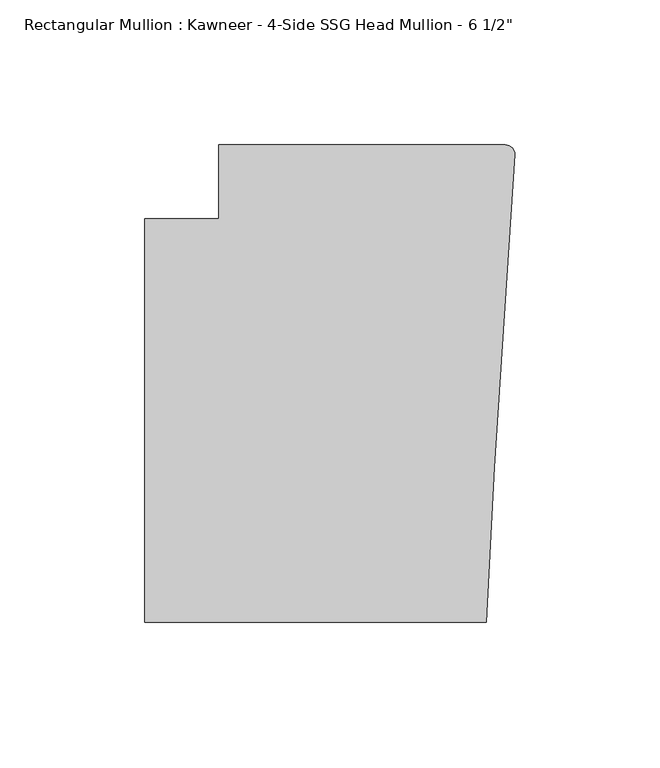
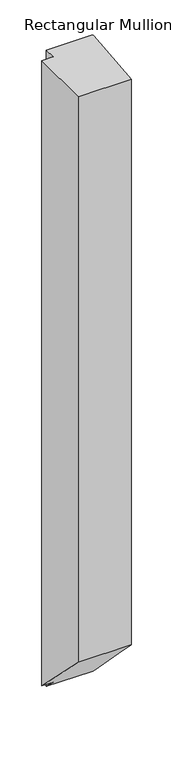
"""IFC4 building model written with IfcOpenShell, lengths in millimetres: member geometry."""

from ifc_helpers import new_model, si_unit, frame, origin, place, context, project, spatial, circle_curve, ellipse_curve, source, transform, mapped, element, save
from ifc_brep_helpers import plane_surface, cylinder_surface, advanced_brep


def member_0b03c33f(model_context):
    return source(origin(), model_context, "Body", "AdvancedBrep", [
        advanced_brep(
        [(-102.08978, 12.7, 0.0), (-102.08978, -12.7, 0.0), (-127.4896668, -12.7, 0.0), (-127.4896668, -151.892, 0.0), (-9.7860662, -151.892, 0.0), (-6.9873394, -98.4891117, 0.0), (-0.006635, 9.3198462, 0.0), (-3.175, 12.7, 0.0), (-102.08978, 12.7, -1481.8796193), (-102.08978, -12.7, -1456.4796193), (-127.4896668, -12.7, -1456.4796193), (-127.4896668, -151.892, -1317.2876193), (-9.7860662, -151.892, -1317.2876193), (-6.9873394, -98.4891117, -1370.6905076), (-0.006635, 9.3198462, -1478.4994655), (-3.175, 12.7, -1481.8796193)],
        [
            (0, 1),
            (1, 2),
            (2, 3),
            (3, 4),
            (4, 5),
            (5, 6),
            (6, 7, circle_curve(frame((-3.175, 9.525, 0.0), z_axis=(0.0, 0.0, 1.0), x_axis=(0.0, 1.0, 0.0)), 3.175)),
            (7, 0),
            (0, 8),
            (8, 9),
            (9, 1),
            (9, 10),
            (10, 2),
            (10, 11),
            (11, 3),
            (11, 12),
            (12, 4),
            (12, 13),
            (13, 5),
            (13, 14),
            (14, 6),
            (14, 15, ellipse_curve(frame((-3.175, 9.525, -1478.7046193), z_axis=(0.0, 0.707106781186548, 0.707106781186547), x_axis=(0.0, -0.707106781186547, 0.707106781186548)), 4.4901281, 3.175)),
            (15, 7),
            (15, 8),
        ],
        [
            plane_surface(frame((0.0, -198.3048028, 0.0), z_axis=(0.0, 0.0, 1.0), x_axis=(-1.0, 0.0, 0.0))),
            plane_surface(frame((-102.08978, 12.7, 0.0), z_axis=(-1.0, 0.0, 0.0), x_axis=(0.0, 0.0, -1.0))),
            plane_surface(frame((-102.08978, -12.7, 0.0), z_axis=(0.0, 1.0, 0.0), x_axis=(0.0, 0.0, -1.0))),
            plane_surface(frame((-127.4896668, -12.7, 0.0), z_axis=(-1.0, 0.0, 0.0), x_axis=(0.0, 0.0, -1.0))),
            plane_surface(frame((-127.4896668, -151.892, 0.0), z_axis=(0.0, -1.0, 0.0), x_axis=(0.0, 0.0, -1.0))),
            plane_surface(frame((-9.7860662, -151.892, 0.0), z_axis=(0.9986295347545738, -0.05233595624294541, 0.0), x_axis=(0.0, 0.0, -1.0))),
            plane_surface(frame((-6.9873394, -98.4891117, 0.0), z_axis=(0.9979102429769694, -0.06461537712995265, 0.0), x_axis=(0.0, 0.0, -1.0))),
            cylinder_surface(frame((-3.175, 9.525, 0.0), z_axis=(0.0, 0.0, 1.0), x_axis=(0.0, 1.0, 0.0)), 3.175),
            plane_surface(frame((-3.175, 12.7, 0.0), z_axis=(0.0, 1.0, 0.0), x_axis=(0.0, 0.0, -1.0))),
            plane_surface(frame((304.8, 0.0, -1469.1796193), z_axis=(0.0, -0.707106781186548, -0.707106781186547), x_axis=(0.0, -0.707106781186547, 0.707106781186548))),
        ],
        [
            (0, [[1, 2, 3, 4, 5, 6, 7, 8]]),
            (1, [[-1, 9, 10, 11]]),
            (2, [[-2, -11, 12, 13]]),
            (3, [[-3, -13, 14, 15]]),
            (4, [[-4, -15, 16, 17]]),
            (5, [[-5, -17, 18, 19]]),
            (6, [[-6, -19, 20, 21]]),
            (7, [[-7, -21, 22, 23]]),
            (8, [[-8, -23, 24, -9]]),
            (9, [[-24, -22, -20, -18, -16, -14, -12, -10]]),
        ],
    ),
    ])


if __name__ == "__main__":
    model = new_model("IFC4")
    model_context = context("Model", 3, world=origin())
    ifc_project = project(units=[si_unit("LENGTHUNIT", "METRE", prefix="MILLI")], contexts=[model_context])
    site = spatial("IfcSite", under=ifc_project)
    building = spatial("IfcBuilding", under=site)
    placement = place(None, origin())
    member_shape = member_0b03c33f(model_context)
    element("IfcMember", 1, ObjectType="Rectangular Mullion : Kawneer - 4-Side SSG Head Mullion - 6 1/2\"", at=placement, inside=building, context=model_context, shape_type="MappedRepresentation", body=[
        mapped(member_shape, transform((0.0, 0.0, 0.0), x_axis=(1.0, 0.0, 0.0), y_axis=(0.0, 1.0, 0.0), z_axis=(0.0, 0.0, 1.0))),
    ])
    save(model, "model.ifc")
